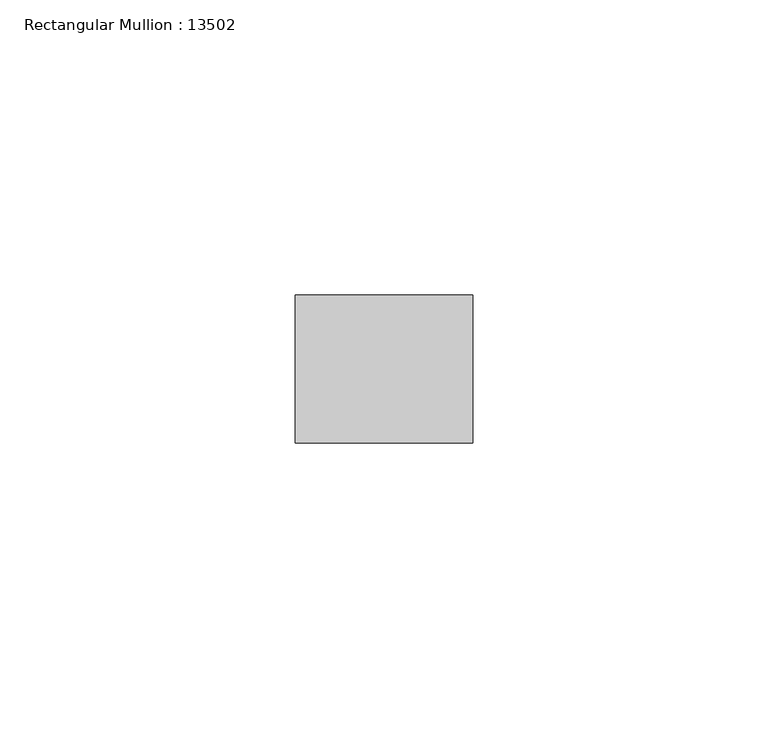
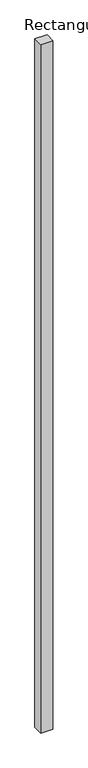
"""IFC4 building model written with IfcOpenShell, lengths in millimetres: member geometry, Rectangular Mullion : 13502."""

from ifc_helpers import new_model, si_unit, frame, origin, place, context, project, spatial, polyline, outline, extrude, source, transform, mapped, element, save


def rectangular_mullion_13502_467e6568(model_context):
    return source(origin(), model_context, "Body", "SweptSolid", [
        extrude(outline(polyline([(0.0, -12.5), (-29.9999993, -12.5), (-29.9999993, 12.5), (0.0, 12.5), (0.0, -12.5)])), frame((0.0, 0.0, -1801.0), z_axis=(0.0, 0.0, 1.0), x_axis=(1.0, 0.0, 0.0)), (0.0, 0.0, 1.0), 1801.0),
    ])


if __name__ == "__main__":
    model = new_model("IFC4")
    model_context = context("Model", 3, world=origin())
    ifc_project = project(units=[si_unit("LENGTHUNIT", "METRE", prefix="MILLI")], contexts=[model_context])
    site = spatial("IfcSite", under=ifc_project)
    building = spatial("IfcBuilding", under=site)
    placement = place(None, origin())
    rectangular_mullion_13502_shape = rectangular_mullion_13502_467e6568(model_context)
    element("IfcMember", 1, ObjectType="Rectangular Mullion : 13502", at=placement, inside=building, context=model_context, shape_type="MappedRepresentation", body=[
        mapped(rectangular_mullion_13502_shape, transform((0.0, 0.0, 0.0), x_axis=(1.0, 0.0, 0.0), y_axis=(0.0, 1.0, 0.0), z_axis=(0.0, 0.0, 1.0))),
    ])
    save(model, "model.ifc")
